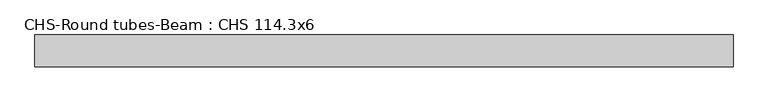
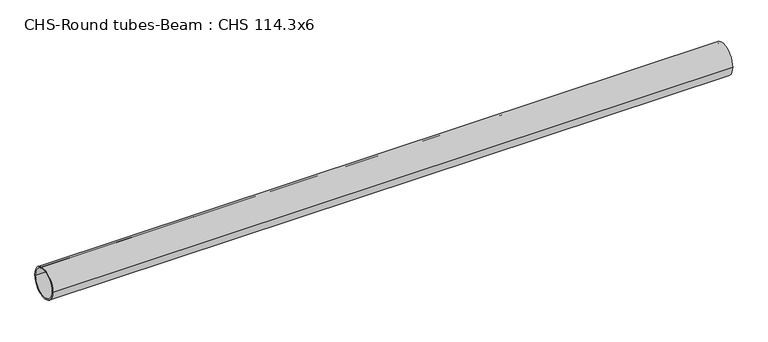
"""IFC4 building model written with IfcOpenShell, lengths in millimetres: beam geometry, CHS-Round tubes-Beam : CHS 114.3x6."""

from ifc_helpers import new_model, si_unit, point, frame, origin, origin_2d, place, context, project, spatial, circle_curve, trimmed, segment, composite_curve, outline, extrude, source, transform, mapped, element, save


def chs_round_tubes_beam_chs_114_3x6_258ca608(model_context):
    return source(origin(), model_context, "Body", "SweptSolid", [
        extrude(outline(composite_curve([segment(trimmed(circle_curve(origin_2d(), 57.15), [point((57.15, 0.0))], [point((-57.15, 0.0))], False, "CARTESIAN"), True, "CONTINUOUS"), segment(trimmed(circle_curve(origin_2d(), 57.15), [point((-57.15, 0.0))], [point((57.15, 0.0))], False, "CARTESIAN"), True, "CONTINUOUS")], self_intersect=False), holes=[composite_curve([segment(trimmed(circle_curve(origin_2d(), 51.15), [point((51.15, 0.0))], [point((-51.15, 0.0))], True, "CARTESIAN"), True, "CONTINUOUS"), segment(trimmed(circle_curve(origin_2d(), 51.15), [point((-51.15, 0.0))], [point((51.15, 0.0))], True, "CARTESIAN"), True, "CONTINUOUS")], self_intersect=False)]), frame((-1242.0925248, 0.0, 0.0), z_axis=(1.0, 0.0, 0.0), x_axis=(0.0, 1.0, 0.0)), (0.0, 0.0, 1.0), 2504.5639825),
    ])


if __name__ == "__main__":
    model = new_model("IFC4")
    model_context = context("Model", 3, world=origin())
    ifc_project = project(units=[si_unit("LENGTHUNIT", "METRE", prefix="MILLI")], contexts=[model_context])
    site = spatial("IfcSite", under=ifc_project)
    building = spatial("IfcBuilding", under=site)
    placement = place(None, origin())
    chs_round_tubes_beam_chs_114_3x6_shape = chs_round_tubes_beam_chs_114_3x6_258ca608(model_context)
    element("IfcBeam", 1, ObjectType="CHS-Round tubes-Beam : CHS 114.3x6", at=placement, inside=building, context=model_context, shape_type="MappedRepresentation", body=[
        mapped(chs_round_tubes_beam_chs_114_3x6_shape, transform((0.0, 0.0, 0.0), x_axis=(1.0, 0.0, 0.0), y_axis=(0.0, 1.0, 0.0), z_axis=(0.0, 0.0, 1.0))),
    ])
    save(model, "model.ifc")
